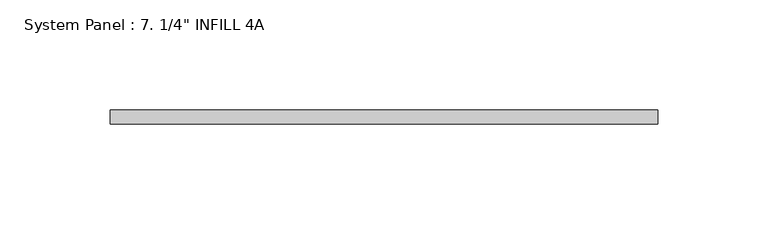
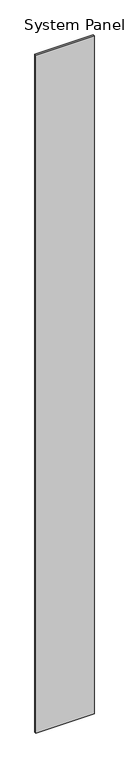
"""IFC4 building model written with IfcOpenShell, lengths in millimetres: plate geometry."""

from ifc_helpers import new_model, si_unit, origin, origin_with_axes, place, context, project, spatial, polyline, outline, extrude, source, transform, mapped, element, save


def plate_2e72730a(model_context):
    return source(origin(), model_context, "Body", "SweptSolid", [
        extrude(outline(polyline([(123.825, 0.0992187), (-123.825, 0.0992187), (-123.825, 6.4492187), (123.825, 6.4492187), (123.825, 0.0992187)])), origin_with_axes(), (0.0, 0.0, 1.0), 3048.0),
    ])


if __name__ == "__main__":
    model = new_model("IFC4")
    model_context = context("Model", 3, world=origin())
    ifc_project = project(units=[si_unit("LENGTHUNIT", "METRE", prefix="MILLI")], contexts=[model_context])
    site = spatial("IfcSite", under=ifc_project)
    building = spatial("IfcBuilding", under=site)
    placement = place(None, origin())
    plate_shape = plate_2e72730a(model_context)
    element("IfcPlate", 1, ObjectType="System Panel : 7. 1/4\" INFILL 4A", at=placement, inside=building, context=model_context, shape_type="MappedRepresentation", body=[
        mapped(plate_shape, transform((0.0, 0.0, 0.0), x_axis=(1.0, 0.0, 0.0), y_axis=(0.0, 1.0, 0.0), z_axis=(0.0, 0.0, 1.0))),
    ])
    save(model, "model.ifc")
